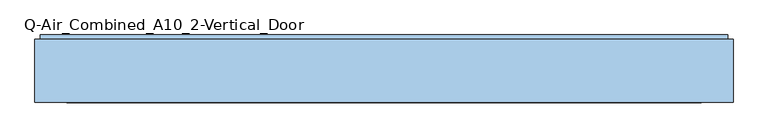
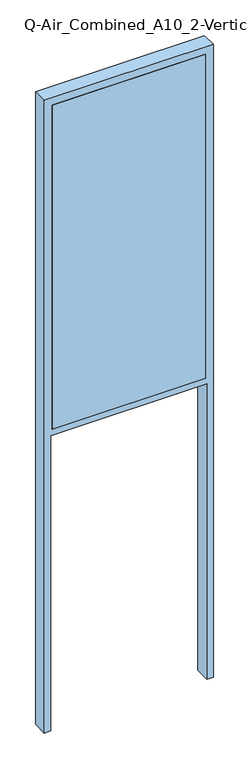
"""IFC4 building model written with IfcOpenShell, lengths in millimetres: window geometry, Q-Air_Combined_A10_2-Vertical_Door."""

from ifc_helpers import new_model, si_unit, frame, origin, place, context, project, spatial, polyline, outline, extrude, source, transform, mapped, element, save


def q_air_combined_a10_2_vertical_door_ae03ce0d(model_context):
    return source(origin(), model_context, "Body", "SweptSolid", [
        extrude(outline(polyline([(-577.0, 12.5), (577.0, 12.5), (577.0, 0.0), (-577.0, 0.0), (-577.0, 12.5)])), frame((0.0, 0.0, 2390.0), z_axis=(0.0, 0.0, 1.0), x_axis=(1.0, 0.0, 0.0)), (0.0, 0.0, 1.0), 2572.0),
        extrude(outline(polyline([(-625.0, 122.5), (625.0, 122.5), (625.0, 114.5), (-625.0, 114.5), (-625.0, 122.5)])), frame((0.0, 0.0, 2390.0), z_axis=(0.0, 0.0, 1.0), x_axis=(1.0, 0.0, 0.0)), (0.0, 0.0, 1.0), 2620.0),
        extrude(outline(polyline([(2343.5, -586.0), (2343.5, 586.0), (0.0, 586.0), (0.0, 635.0), (5020.0, 635.0), (5020.0, -635.0), (0.0, -635.0), (0.0, -586.0), (2343.5, -586.0)]), holes=[polyline([(4962.0, 577.0), (2390.0, 577.0), (2390.0, -577.0), (4962.0, -577.0), (4962.0, 577.0)])]), frame((0.0, 0.0, 0.0), z_axis=(0.0, 1.0, 0.0), x_axis=(0.0, 0.0, 1.0)), (0.0, 0.0, 1.0), 114.5),
        extrude(outline(polyline([(5010.0, 625.0), (5010.0, -625.0), (2390.0, -625.0), (2390.0, -577.0), (4962.0, -577.0), (4962.0, 577.0), (2390.0, 577.0), (2390.0, 625.0), (5010.0, 625.0)])), frame((0.0, 114.5, 0.0), z_axis=(0.0, 1.0, 0.0), x_axis=(0.0, 0.0, 1.0)), (0.0, 0.0, 1.0), 4.0),
    ])


if __name__ == "__main__":
    model = new_model("IFC4")
    model_context = context("Model", 3, world=origin())
    ifc_project = project(units=[si_unit("LENGTHUNIT", "METRE", prefix="MILLI")], contexts=[model_context])
    site = spatial("IfcSite", under=ifc_project)
    building = spatial("IfcBuilding", under=site)
    placement = place(None, origin())
    q_air_combined_a10_2_vertical_door_shape = q_air_combined_a10_2_vertical_door_ae03ce0d(model_context)
    element("IfcWindow", 1, ObjectType="Q-Air_Combined_A10_2-Vertical_Door", at=placement, inside=building, context=model_context, shape_type="MappedRepresentation", body=[
        mapped(q_air_combined_a10_2_vertical_door_shape, transform((0.0, 0.0, 0.0), x_axis=(1.0, 0.0, 0.0), y_axis=(0.0, 1.0, 0.0), z_axis=(0.0, 0.0, 1.0))),
    ])
    save(model, "model.ifc")
